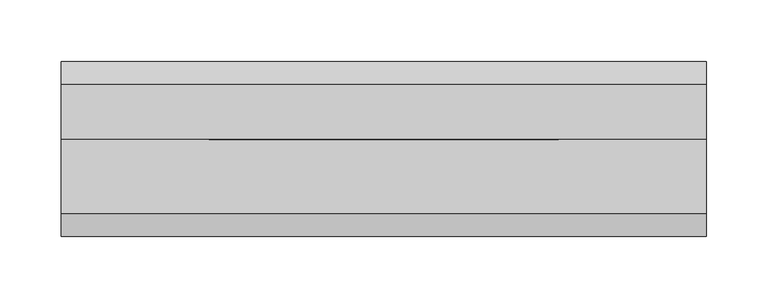
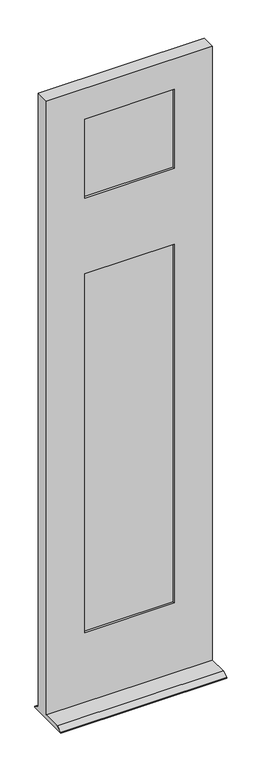
"""IFC4 building model written with IfcOpenShell, lengths in millimetres: plate geometry."""

from ifc_helpers import new_model, si_unit, frame, origin, place, context, project, spatial, polyline, outline, extrude, faceted_brep, source, transform, mapped, element, save


def plate_d3f4cee7(model_context):
    return source(origin(), model_context, "Body", "SolidModel", [
        extrude(outline(polyline([(160.7312, -40.35425), (-160.7312, -40.35425), (-160.7312, -34.00425), (160.7312, -34.00425), (160.7312, -40.35425)])), frame((0.0, 0.0, 226.21875), z_axis=(0.0, 0.0, 1.0), x_axis=(1.0, 0.0, 0.0)), (0.0, 0.0, 1.0), 1243.00615),
        extrude(outline(polyline([(-160.7312, -14.95425), (160.7312, -14.95425), (160.7312, -21.30425), (-160.7312, -21.30425), (-160.7312, -14.95425)])), frame((0.0, 0.0, 226.21875), z_axis=(0.0, 0.0, 1.0), x_axis=(1.0, 0.0, 0.0)), (0.0, 0.0, 1.0), 1243.00615),
        extrude(outline(polyline([(160.7312, -14.95425), (160.7312, -21.30425), (-160.7312, -21.30425), (-160.7312, -14.95425), (160.7312, -14.95425)])), frame((0.0, 0.0, 1683.5374), z_axis=(0.0, 0.0, 1.0), x_axis=(1.0, 0.0, 0.0)), (0.0, 0.0, 1.0), 304.8),
        extrude(outline(polyline([(-160.7312, -40.35425), (-160.7312, -34.00425), (160.7312, -34.00425), (160.7312, -40.35425), (-160.7312, -40.35425)])), frame((0.0, 0.0, 1683.5374), z_axis=(0.0, 0.0, 1.0), x_axis=(1.0, 0.0, 0.0)), (0.0, 0.0, 1.0), 304.8),
        faceted_brep([(-263.1186, -3.34645, 2070.1), (-263.1186, -47.79645, 2070.1), (263.1186, -47.79645, 2070.1), (263.1186, -3.34645, 2070.1), (263.1186, -127.17145, 0.0), (-263.1186, -127.17145, 0.0), (-263.1186, 15.70355, 0.0), (263.1186, 15.70355, 0.0), (-263.1186, -47.79645, 12.7), (263.1186, -47.79645, 12.7), (142.4686, -47.79645, 246.0625), (-142.4686, -47.79645, 246.0625), (-142.4686, -47.79645, 1449.3748), (142.4686, -47.79645, 1449.3748), (-142.4686, -47.79645, 1703.3748), (-142.4686, -47.79645, 1968.5), (142.4686, -47.79645, 1968.5), (142.4686, -47.79645, 1703.3748), (-142.4686, -40.35425, 246.0625), (-142.4686, -40.35425, 1449.3748), (-142.4686, -40.35425, 1703.3748), (-142.4686, -40.35425, 1968.5), (160.7312, -40.35425, 226.21875), (-160.7312, -40.35425, 226.21875), (-160.7312, -40.35425, 1469.2249), (160.7312, -40.35425, 1469.2249), (142.4686, -40.35425, 246.0625), (142.4686, -40.35425, 1449.3748), (160.7312, -40.35425, 1683.5374), (-160.7312, -40.35425, 1683.5374), (-160.7312, -40.35425, 1988.3374), (160.7312, -40.35425, 1988.3374), (142.4686, -40.35425, 1703.3748), (142.4686, -40.35425, 1968.5), (-160.7312, -14.95425, 1683.5374), (-160.7312, -14.95425, 1988.3374), (-160.7312, -14.95425, 226.21875), (-160.7312, -14.95425, 1469.2249), (160.7312, -14.95425, 226.21875), (160.7312, -14.95425, 1469.2249), (142.4686, -14.95425, 246.0625), (-142.4686, -14.95425, 246.0625), (-142.4686, -14.95425, 1449.3748), (142.4686, -14.95425, 1449.3748), (160.7312, -14.95425, 1683.5374), (160.7312, -14.95425, 1988.3374), (142.4686, -14.95425, 1703.3748), (-142.4686, -14.95425, 1703.3748), (-142.4686, -14.95425, 1968.5), (142.4686, -14.95425, 1968.5), (-142.4686, -3.34645, 246.0625), (-142.4686, -3.34645, 1449.3748), (-142.4686, -3.34645, 1703.3748), (-142.4686, -3.34645, 1968.5), (263.1186, -3.34645, 12.7), (-263.1186, -3.34645, 12.7), (142.4686, -3.34645, 246.0625), (142.4686, -3.34645, 1449.3748), (142.4686, -3.34645, 1703.3748), (142.4686, -3.34645, 1968.5), (-263.1186, 15.70355, 3.175), (-263.1186, -127.17145, 3.175), (-263.1186, -108.12145, 12.7), (263.1186, -108.12145, 12.7), (263.1186, -127.17145, 3.175), (263.1186, 15.70355, 3.175)], [[[0, 1, 2, 3]], [[4, 5, 6, 7]], [[2, 1, 8, 9], [10, 11, 12, 13], [14, 15, 16, 17]], [[11, 18, 19, 12]], [[14, 20, 21, 15]], [[22, 23, 24, 25], [18, 26, 27, 19]], [[28, 29, 30, 31], [20, 32, 33, 21]], [[30, 29, 34, 35]], [[23, 36, 37, 24]], [[36, 38, 39, 37], [40, 41, 42, 43]], [[34, 44, 45, 35], [46, 47, 48, 49]], [[41, 50, 51, 42]], [[47, 52, 53, 48]], [[0, 3, 54, 55], [50, 56, 57, 51], [58, 59, 53, 52]], [[8, 1, 0, 55, 60, 6, 5, 61, 62]], [[2, 9, 63, 64, 4, 7, 65, 54, 3]], [[63, 9, 8, 62]], [[64, 63, 62, 61]], [[4, 64, 61, 5]], [[54, 65, 60, 55]], [[50, 41, 40, 56]], [[36, 23, 22, 38]], [[18, 11, 10, 26]], [[65, 7, 6, 60]], [[56, 40, 43, 57]], [[58, 46, 49, 59]], [[45, 44, 28, 31]], [[38, 22, 25, 39]], [[26, 10, 13, 27]], [[32, 17, 16, 33]], [[34, 29, 28, 44]], [[14, 17, 32, 20]], [[13, 12, 19, 27]], [[24, 37, 39, 25]], [[43, 42, 51, 57]], [[47, 46, 58, 52]], [[49, 48, 53, 59]], [[35, 45, 31, 30]], [[16, 15, 21, 33]]]),
    ])


if __name__ == "__main__":
    model = new_model("IFC4")
    model_context = context("Model", 3, world=origin())
    ifc_project = project(units=[si_unit("LENGTHUNIT", "METRE", prefix="MILLI")], contexts=[model_context])
    site = spatial("IfcSite", under=ifc_project)
    building = spatial("IfcBuilding", under=site)
    placement = place(None, origin())
    plate_shape = plate_d3f4cee7(model_context)
    element("IfcPlate", 1, at=placement, inside=building, context=model_context, shape_type="MappedRepresentation", body=[
        mapped(plate_shape, transform((0.0, 0.0, 0.0), x_axis=(1.0, 0.0, 0.0), y_axis=(0.0, 1.0, 0.0), z_axis=(0.0, 0.0, 1.0))),
    ])
    save(model, "model.ifc")
